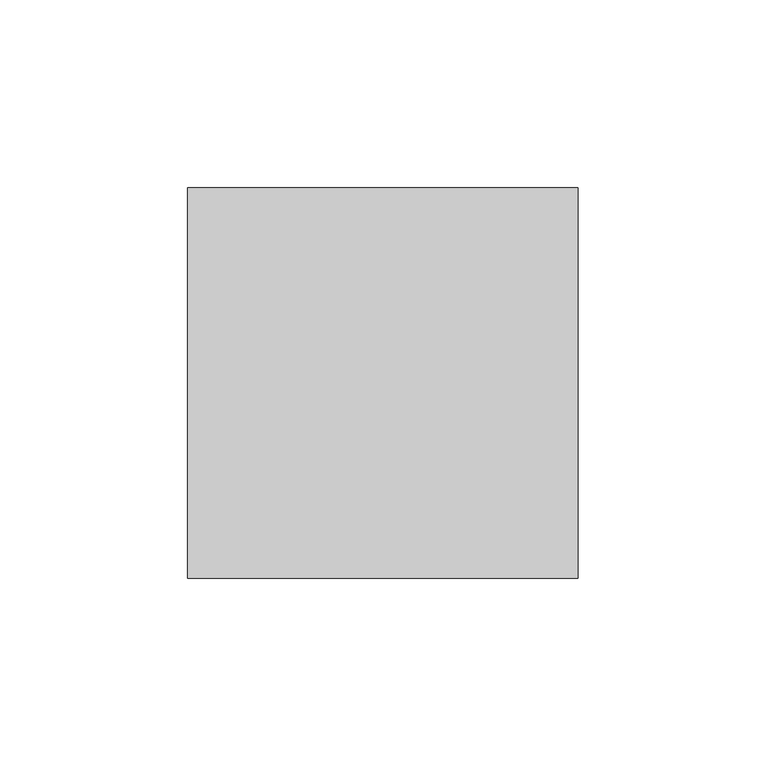
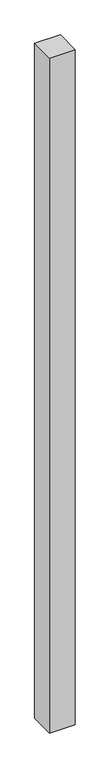
"""IFC4 building model written with IfcOpenShell, lengths in millimetres: member geometry."""

from ifc_helpers import new_model, si_unit, frame, origin, place, context, project, spatial, polyline, outline, extrude, source, transform, mapped, element, save


def member_a99f8f1c(model_context):
    return source(origin(), model_context, "Body", "SweptSolid", [
        extrude(outline(polyline([(52.0, 52.0), (52.0, -52.0), (-52.0, -52.0), (-52.0, 52.0), (52.0, 52.0)])), frame((0.0, 0.0, -2885.0), z_axis=(0.0, 0.0, 1.0), x_axis=(1.0, 0.0, 0.0)), (0.0, 0.0, 1.0), 2885.0),
    ])


if __name__ == "__main__":
    model = new_model("IFC4")
    model_context = context("Model", 3, world=origin())
    ifc_project = project(units=[si_unit("LENGTHUNIT", "METRE", prefix="MILLI")], contexts=[model_context])
    site = spatial("IfcSite", under=ifc_project)
    building = spatial("IfcBuilding", under=site)
    placement = place(None, origin())
    member_shape = member_a99f8f1c(model_context)
    element("IfcMember", 1, at=placement, inside=building, context=model_context, shape_type="MappedRepresentation", body=[
        mapped(member_shape, transform((0.0, 0.0, 0.0), x_axis=(1.0, 0.0, 0.0), y_axis=(0.0, 1.0, 0.0), z_axis=(0.0, 0.0, 1.0))),
    ])
    save(model, "model.ifc")
